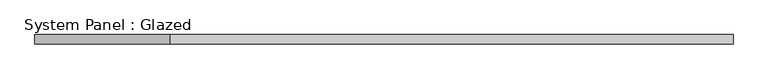
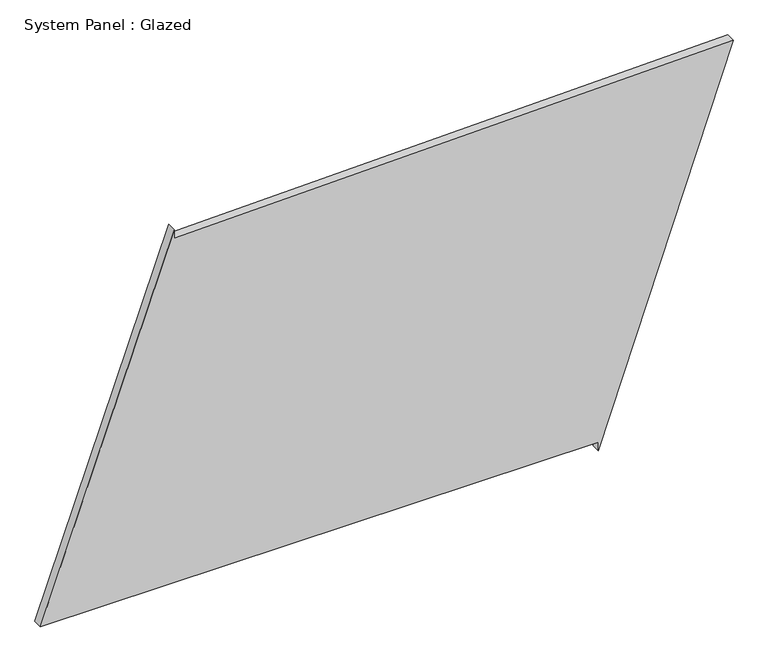
"""IFC4 building model written with IfcOpenShell, lengths in millimetres: plate geometry, System Panel : Glazed."""

from ifc_helpers import new_model, si_unit, frame, origin, place, context, project, spatial, polyline, outline, extrude, source, transform, mapped, element, save


def system_panel_glazed_d06dda80(model_context):
    return source(origin(), model_context, "Body", "SweptSolid", [
        extrude(outline(polyline([(25.0, 561.9400889), (0.0, 561.9400889), (1027.2328005, 919.3020754), (990.4682439, -563.7199987), (1015.4605655, -564.3395658), (25.0, -919.3020754), (25.0, 561.9400889)])), frame((0.0, -49.5, 0.0), z_axis=(0.0, 1.0, 0.0), x_axis=(0.0, 0.0, 1.0)), (0.0, 0.0, 1.0), 25.0),
    ])


if __name__ == "__main__":
    model = new_model("IFC4")
    model_context = context("Model", 3, world=origin())
    ifc_project = project(units=[si_unit("LENGTHUNIT", "METRE", prefix="MILLI")], contexts=[model_context])
    site = spatial("IfcSite", under=ifc_project)
    building = spatial("IfcBuilding", under=site)
    placement = place(None, origin())
    system_panel_glazed_shape = system_panel_glazed_d06dda80(model_context)
    element("IfcPlate", 1, ObjectType="System Panel : Glazed", at=placement, inside=building, context=model_context, shape_type="MappedRepresentation", body=[
        mapped(system_panel_glazed_shape, transform((0.0, 0.0, 0.0), x_axis=(1.0, 0.0, 0.0), y_axis=(0.0, 1.0, 0.0), z_axis=(0.0, 0.0, 1.0))),
    ])
    save(model, "model.ifc")
